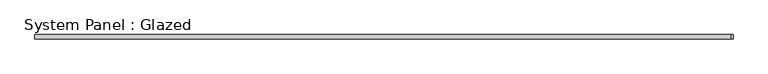
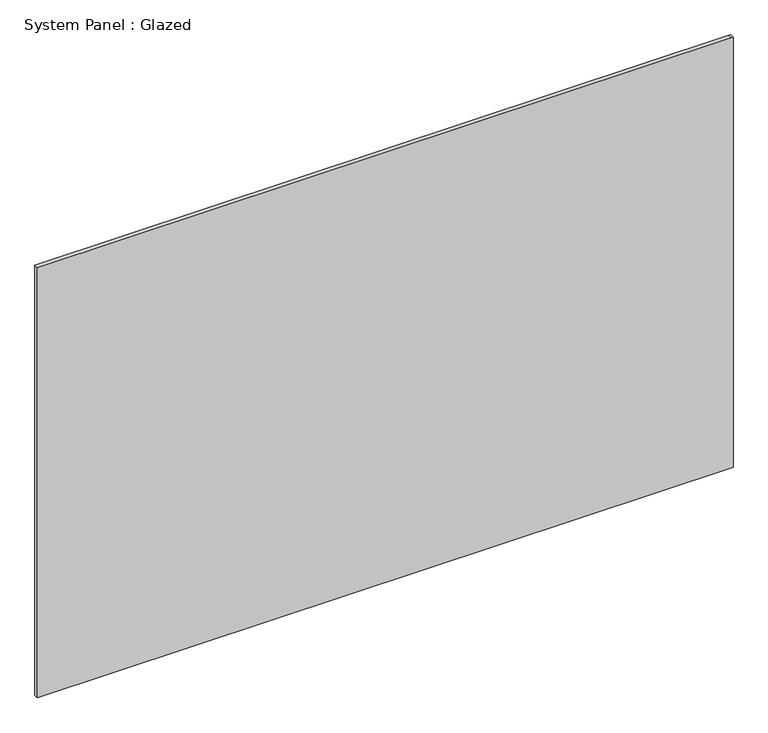
"""IFC4 building model written with IfcOpenShell, lengths in millimetres: plate geometry, System Panel : Glazed."""

from ifc_helpers import new_model, si_unit, frame, origin, place, context, project, spatial, polyline, outline, extrude, source, transform, mapped, element, save


def system_panel_glazed_49ec029e(model_context):
    return source(origin(), model_context, "Body", "SweptSolid", [
        extrude(outline(polyline([(0.0, -2065.589182), (0.0, 2065.589182), (2700.0, 2065.589182), (2700.0, 2055.589182), (2700.0, -2065.589182), (0.0, -2065.589182)])), frame((0.0, 24.5, 0.0), z_axis=(0.0, 1.0, 0.0), x_axis=(0.0, 0.0, 1.0)), (0.0, 0.0, 1.0), 25.0),
    ])


if __name__ == "__main__":
    model = new_model("IFC4")
    model_context = context("Model", 3, world=origin())
    ifc_project = project(units=[si_unit("LENGTHUNIT", "METRE", prefix="MILLI")], contexts=[model_context])
    site = spatial("IfcSite", under=ifc_project)
    building = spatial("IfcBuilding", under=site)
    placement = place(None, origin())
    system_panel_glazed_shape = system_panel_glazed_49ec029e(model_context)
    element("IfcPlate", 1, ObjectType="System Panel : Glazed", at=placement, inside=building, context=model_context, shape_type="MappedRepresentation", body=[
        mapped(system_panel_glazed_shape, transform((0.0, 0.0, 0.0), x_axis=(1.0, 0.0, 0.0), y_axis=(0.0, 1.0, 0.0), z_axis=(0.0, 0.0, 1.0))),
    ])
    save(model, "model.ifc")
